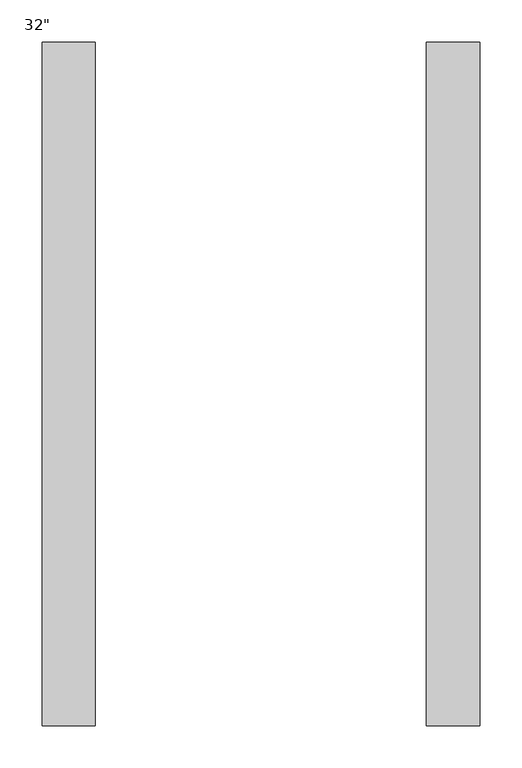
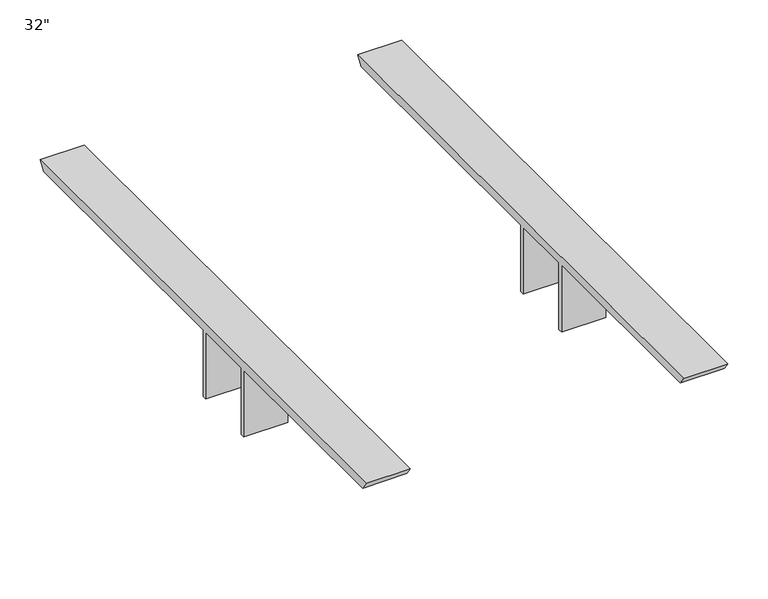
"""IFC4 building model written with IfcOpenShell, lengths in millimetres: furniture geometry."""

from ifc_helpers import new_model, si_unit, frame, origin, place, context, project, spatial, polyline, outline, extrude, source, transform, mapped, element, save


def furniture_fbeaa5cc(model_context):
    return source(origin(), model_context, "Body", "SweptSolid", [
        extrude(outline(polyline([(-812.8, 914.4), (0.0, 914.4), (-8.8926357, 901.7), (-406.4, 901.7), (-406.4, 800.1), (-412.75, 800.1), (-412.75, 901.7), (-501.65, 901.7), (-501.65, 800.1), (-508.0, 800.1), (-508.0, 901.7), (-803.9073643, 901.7), (-812.8, 914.4)])), frame((457.2, 0.0, 0.0), z_axis=(1.0, 0.0, 0.0), x_axis=(0.0, 1.0, 0.0)), (0.0, 0.0, 1.0), 63.500002),
        extrude(outline(polyline([(-812.8, 914.4), (0.0, 914.4), (-8.8926357, 901.7), (-406.4, 901.7), (-406.4, 800.1), (-412.75, 800.1), (-412.75, 901.7), (-501.65, 901.7), (-501.65, 800.1), (-508.0, 800.1), (-508.0, 901.7), (-803.9073643, 901.7), (-812.8, 914.4)])), frame((0.0, 0.0, 0.0), z_axis=(1.0, 0.0, 0.0), x_axis=(0.0, 1.0, 0.0)), (0.0, 0.0, 1.0), 63.500002),
    ])


if __name__ == "__main__":
    model = new_model("IFC4")
    model_context = context("Model", 3, world=origin())
    ifc_project = project(units=[si_unit("LENGTHUNIT", "METRE", prefix="MILLI")], contexts=[model_context])
    site = spatial("IfcSite", under=ifc_project)
    building = spatial("IfcBuilding", under=site)
    placement = place(None, origin())
    furniture_shape = furniture_fbeaa5cc(model_context)
    element("IfcFurniture", 1, ObjectType="32\"", at=placement, inside=building, context=model_context, shape_type="MappedRepresentation", body=[
        mapped(furniture_shape, transform((0.0, 0.0, 0.0), x_axis=(1.0, 0.0, 0.0), y_axis=(0.0, 1.0, 0.0), z_axis=(0.0, 0.0, 1.0))),
    ])
    save(model, "model.ifc")
